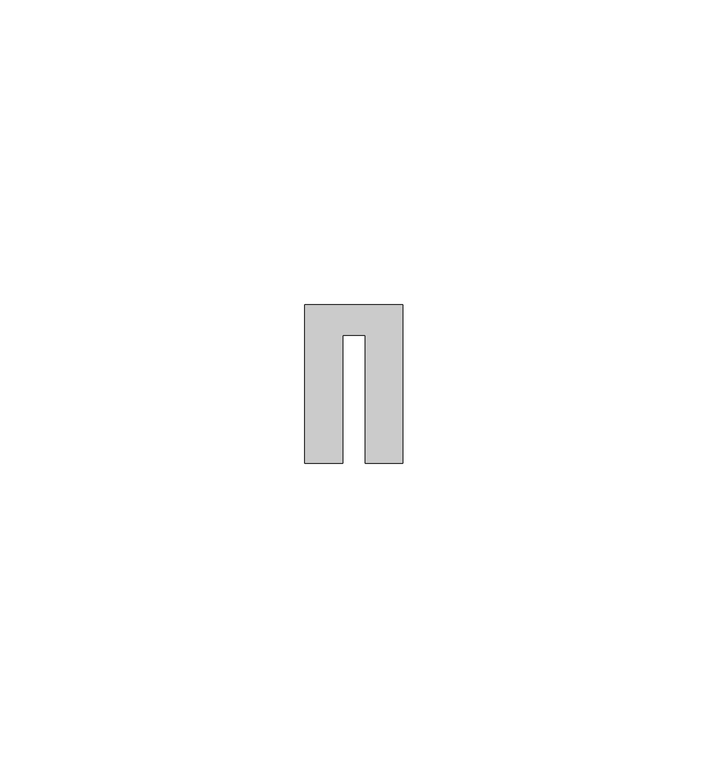
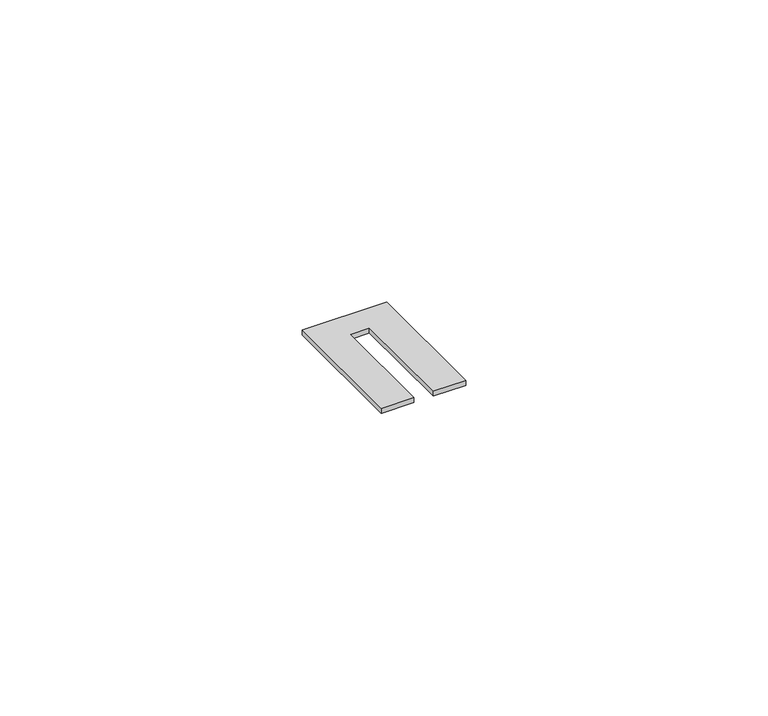
"""IFC4 building model written with IfcOpenShell, lengths in millimetres: proxy geometry."""

from ifc_helpers import new_model, si_unit, origin, origin_with_axes, place, context, project, spatial, polyline, outline, extrude, source, transform, mapped, element, save


def generic_models_15cd042d(model_context):
    return source(origin(), model_context, "Body", "SweptSolid", [
        extrude(outline(polyline([(9.9, 5.0), (9.9, -21.0), (3.7, -21.0), (3.7, 0.0), (0.0, 0.0), (0.0, -21.0), (-6.2, -21.0), (-6.2, 5.0), (9.9, 5.0)])), origin_with_axes(), (0.0, 0.0, 1.0), 1.0),
    ])


if __name__ == "__main__":
    model = new_model("IFC4")
    model_context = context("Model", 3, world=origin())
    ifc_project = project(units=[si_unit("LENGTHUNIT", "METRE", prefix="MILLI")], contexts=[model_context])
    site = spatial("IfcSite", under=ifc_project)
    building = spatial("IfcBuilding", under=site)
    placement = place(None, origin())
    generic_models_shape = generic_models_15cd042d(model_context)
    element("IfcBuildingElementProxy", 1, Name="Generic Models", at=placement, inside=building, context=model_context, shape_type="MappedRepresentation", body=[
        mapped(generic_models_shape, transform((0.0, 0.0, 0.0), x_axis=(1.0, 0.0, 0.0), y_axis=(0.0, 1.0, 0.0), z_axis=(0.0, 0.0, 1.0))),
    ])
    save(model, "model.ifc")
